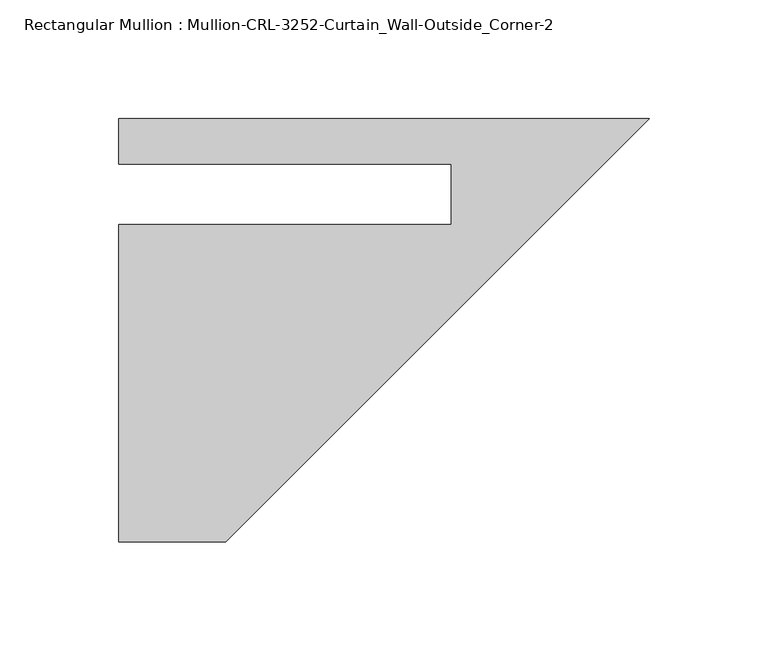
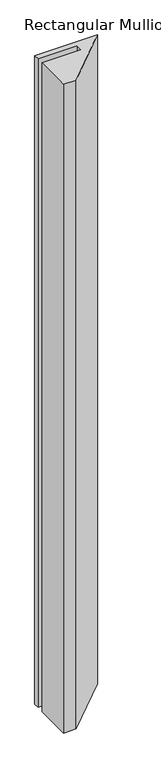
"""IFC4 building model written with IfcOpenShell, lengths in millimetres: member geometry, Rectangular Mullion : Mullion-CRL-3252-Curtain_Wall-Outside_Corner-2."""

import ifcopenshell
import ifcopenshell.guid

model = None  # the IFC model being written
_history = None  # IfcOwnerHistory: only IFC2X3 demands one
_inside = {}  # id of a spatial element -> (the spatial element, [elements in it])
_under = {}  # id of a project, library or spatial element -> (it, [spatial elements below it])
_declared = {}  # id of a project -> (the project, [libraries it declares])
_typed = {}  # id of a type object -> (the type object, [elements of that type])
_made_of = {}  # id of a material, layer set ... -> (it, [elements and type objects made of it])


def new_model(schema):
    """Start an empty IFC model of exactly this schema.

    Asked for "IFC4X3", IfcOpenShell would pick the latest addendum, in which some entities
    have other attributes; the version numbers below select the first issue.
    IFC2X3 requires an IfcOwnerHistory on every rooted entity: one is made here for all.
    """
    global model, _history
    if schema == "IFC4X3":
        model = ifcopenshell.file(schema_version=(4, 3, 0, 0))
    else:
        model = ifcopenshell.file(schema=schema)
    _inside.clear()
    _under.clear()
    _declared.clear()
    _typed.clear()
    _made_of.clear()
    _history = None
    if model.schema == "IFC2X3":
        org = make("IfcOrganization", Name="unknown")
        user = make(
            "IfcPersonAndOrganization",
            ThePerson=make("IfcPerson", FamilyName="unknown"),
            TheOrganization=org,
        )
        app = make(
            "IfcApplication",
            ApplicationDeveloper=org,
            Version="unknown",
            ApplicationFullName="unknown",
            ApplicationIdentifier="unknown",
        )
        _history = make(
            "IfcOwnerHistory",
            OwningUser=user,
            OwningApplication=app,
            ChangeAction="ADDED",
            CreationDate=0,
        )
    return model


def make(cls, **values):
    """One entity of the class cls with the attributes given. An attribute that is None is left unset."""
    return model.create_entity(
        cls, **{name: value for name, value in values.items() if value is not None}
    )


def rooted(cls, **values):
    """An entity with a GlobalId (a new one), such as an element, a storey or a relation."""
    return make(cls, GlobalId=ifcopenshell.guid.new(), OwnerHistory=_history, **values)


def si_unit(unit_type, name, prefix=None):
    """IfcSIUnit, for example si_unit("LENGTHUNIT", "METRE", prefix="MILLI")."""
    return make("IfcSIUnit", UnitType=unit_type, Prefix=prefix, Name=name)


def assignment(units):
    """IfcUnitAssignment: the units of a project."""
    return None if units is None else make("IfcUnitAssignment", Units=units)


def point(xyz):
    """IfcCartesianPoint."""
    return None if xyz is None else make("IfcCartesianPoint", Coordinates=xyz)


def direction(xyz):
    """IfcDirection."""
    return None if xyz is None else make("IfcDirection", DirectionRatios=xyz)


def frame(location, z_axis=None, x_axis=None):
    """IfcAxis2Placement3D, a coordinate frame: its origin and axes. An axis left out is left unset."""
    return make(
        "IfcAxis2Placement3D",
        Location=point(location),
        Axis=direction(z_axis),
        RefDirection=direction(x_axis),
    )


def origin():
    """The frame at (0, 0, 0) with its axes left unset."""
    return frame((0.0, 0.0, 0.0))


def place(relative_to, where):
    """IfcLocalPlacement: puts the frame where relative to a parent placement (None: the world)."""
    return make(
        "IfcLocalPlacement", PlacementRelTo=relative_to, RelativePlacement=where
    )


def context(
    kind, dimensions, precision=None, world=None, true_north=None, identifier=None
):
    """IfcGeometricRepresentationContext, for example the 3D "Model" context."""
    return make(
        "IfcGeometricRepresentationContext",
        ContextIdentifier=identifier,
        ContextType=kind,
        CoordinateSpaceDimension=dimensions,
        Precision=precision,
        WorldCoordinateSystem=world,
        TrueNorth=true_north,
    )


def project(units=None, contexts=None):
    """IfcProject with its units and contexts."""
    return rooted(
        "IfcProject",
        Name="project",
        RepresentationContexts=contexts,
        UnitsInContext=assignment(units),
    )


def spatial(cls, under=None, at=None, **own):
    """A site, building, storey or space (cls), placed at a placement, below another one or the project."""
    s = rooted(cls, ObjectPlacement=at, **own)
    if under is not None:
        _under.setdefault(under.id(), (under, []))[1].append(s)
    return s


def polyline(points):
    """IfcPolyline through the points."""
    return make("IfcPolyline", Points=[point(p) for p in points])


def outline(outer, holes=None, kind="AREA"):
    """IfcArbitraryClosedProfileDef: a profile drawn as a closed curve; with holes, ...WithVoids."""
    if holes is None:
        return make("IfcArbitraryClosedProfileDef", ProfileType=kind, OuterCurve=outer)
    return make(
        "IfcArbitraryProfileDefWithVoids",
        ProfileType=kind,
        OuterCurve=outer,
        InnerCurves=holes,
    )


def extrude(swept, where, along, depth):
    """IfcExtrudedAreaSolid: the profile swept, set in the frame where, extruded along a direction by depth."""
    return make(
        "IfcExtrudedAreaSolid",
        SweptArea=swept,
        Position=where,
        ExtrudedDirection=direction(along),
        Depth=depth,
    )


def shape(context_of_items, identifier, shape_type, items):
    """IfcShapeRepresentation: the items that make up one representation, for example the "Body"."""
    return make(
        "IfcShapeRepresentation",
        ContextOfItems=context_of_items,
        RepresentationIdentifier=identifier,
        RepresentationType=shape_type,
        Items=items,
    )


def source(mapping_origin, context_of_items, identifier, shape_type, items):
    """IfcRepresentationMap: a shape defined once, which mapped items show again and again."""
    return make(
        "IfcRepresentationMap",
        MappingOrigin=mapping_origin,
        MappedRepresentation=shape(context_of_items, identifier, shape_type, items),
    )


def transform(
    local_origin,
    x_axis=None,
    y_axis=None,
    z_axis=None,
    scale=None,
    scale2=None,
    scale3=None,
    uniform=True,
):
    """IfcCartesianTransformationOperator3D, or its non-uniform kind. x_axis, y_axis, z_axis: its Axis1, 2, 3."""
    if uniform:
        return make(
            "IfcCartesianTransformationOperator3D",
            Axis1=direction(x_axis),
            Axis2=direction(y_axis),
            LocalOrigin=point(local_origin),
            Scale=scale,
            Axis3=direction(z_axis),
        )
    return make(
        "IfcCartesianTransformationOperator3DnonUniform",
        Axis1=direction(x_axis),
        Axis2=direction(y_axis),
        LocalOrigin=point(local_origin),
        Scale=scale,
        Axis3=direction(z_axis),
        Scale2=scale2,
        Scale3=scale3,
    )


def mapped(mapping_source, mapping_target):
    """IfcMappedItem: shows the shape of a source again, moved by a transform."""
    return make(
        "IfcMappedItem", MappingSource=mapping_source, MappingTarget=mapping_target
    )


def made_of(thing, what):
    """Note that an element or type object is made of a material, layer set ...; save() writes the relation."""
    if what is not None:
        _made_of.setdefault(what.id(), (what, []))[1].append(thing)
    return thing


def element(
    cls,
    number,
    at=None,
    inside=None,
    cuts=None,
    type_object=None,
    material=None,
    context=None,
    identifier="Body",
    shape_type=None,
    held_by="IfcProductDefinitionShape",
    body=None,
    shapes=None,
    **own,
):
    """One element of the class cls, such as IfcWall. Its Tag is "e" and its number.

    at: its placement. inside: the storey or other place that contains it. cuts: it is an
    opening in that element (IfcRelVoidsElement). A single representation is given by context,
    identifier, shape_type and body (its items); several are given by shapes. held_by: the class
    of the entity that holds the representations. save() writes the other relations.
    """
    e = rooted(cls, Tag="e%d" % number, ObjectPlacement=at, **own)
    if body is not None:
        shapes = [shape(context, identifier, shape_type, body)]
    if shapes is not None:
        e.Representation = make(held_by, Representations=shapes)
    if inside is not None:
        _inside.setdefault(inside.id(), (inside, []))[1].append(e)
    if cuts is not None:
        rooted(
            "IfcRelVoidsElement", RelatingBuildingElement=cuts, RelatedOpeningElement=e
        )
    if type_object is not None:
        _typed.setdefault(type_object.id(), (type_object, []))[1].append(e)
    return made_of(e, material)


def aggregate(whole, parts):
    """IfcRelAggregates: a whole, such as a stair, and the parts it consists of."""
    return rooted("IfcRelAggregates", RelatingObject=whole, RelatedObjects=parts)


def save(model, path):
    """Write the relations noted so far, then the file.

    IfcRelAggregates (storeys below a building ...), IfcRelContainedInSpatialStructure (elements
    in a storey), IfcRelDefinesByType, IfcRelAssociatesMaterial and IfcRelDeclares: one each for
    every whole, place, type object, material and project.
    """
    for whole, parts in _under.values():
        aggregate(whole, parts)
    for where, things in _inside.values():
        rooted(
            "IfcRelContainedInSpatialStructure",
            RelatedElements=things,
            RelatingStructure=where,
        )
    for kind, things in _typed.values():
        rooted("IfcRelDefinesByType", RelatedObjects=things, RelatingType=kind)
    for what, things in _made_of.values():
        rooted("IfcRelAssociatesMaterial", RelatedObjects=things, RelatingMaterial=what)
    for by, libraries in _declared.values():
        rooted("IfcRelDeclares", RelatingContext=by, RelatedDefinitions=libraries)
    model.write(path)


def rectangular_mullion_mullion_crl_3252_curtain_wall_outside_8d8aec90(model_context):
    return source(origin(), model_context, "Body", "SweptSolid", [
        extrude(outline(polyline([(0.0, 31.794609), (-177.8, -146.005391), (-222.7460938, -146.005391), (-222.7460938, -12.7), (-83.0677478, -12.7), (-83.0677478, 12.7), (-222.7460938, 12.7), (-222.7460938, 31.794609), (0.0, 31.794609)])), frame((0.0, 0.0, -2438.1023438), z_axis=(0.0, 0.0, 1.0), x_axis=(1.0, 0.0, 0.0)), (0.0, 0.0, 1.0), 2438.1023438),
    ])


if __name__ == "__main__":
    model = new_model("IFC4")
    model_context = context("Model", 3, world=origin())
    ifc_project = project(units=[si_unit("LENGTHUNIT", "METRE", prefix="MILLI")], contexts=[model_context])
    site = spatial("IfcSite", under=ifc_project)
    building = spatial("IfcBuilding", under=site)
    placement = place(None, origin())
    rectangular_mullion_mullion_crl_3252_curtain_wall_outside_shape = rectangular_mullion_mullion_crl_3252_curtain_wall_outside_8d8aec90(model_context)
    element("IfcMember", 1, ObjectType="Rectangular Mullion : Mullion-CRL-3252-Curtain_Wall-Outside_Corner-2", at=placement, inside=building, context=model_context, shape_type="MappedRepresentation", body=[
        mapped(rectangular_mullion_mullion_crl_3252_curtain_wall_outside_shape, transform((0.0, 0.0, 0.0), x_axis=(1.0, 0.0, 0.0), y_axis=(0.0, 1.0, 0.0), z_axis=(0.0, 0.0, 1.0))),
    ])
    save(model, "model.ifc")
